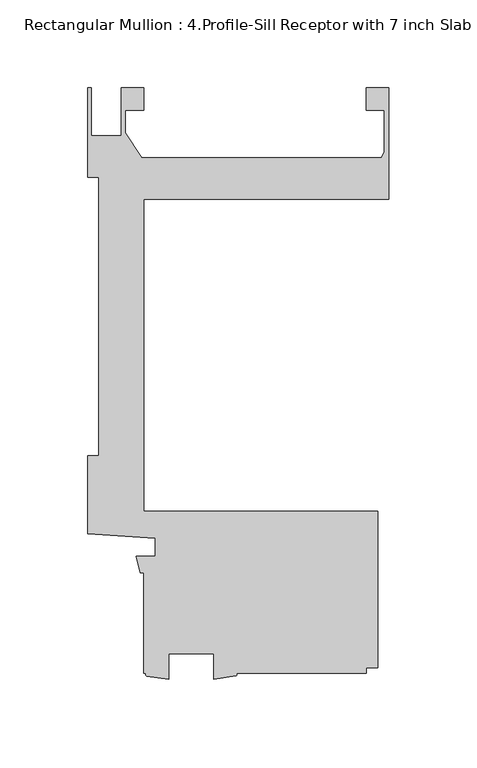
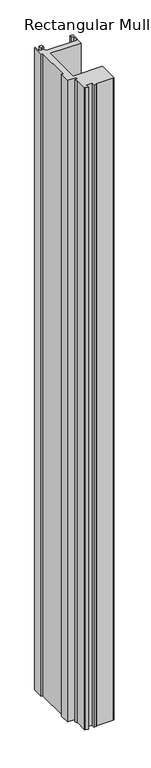
"""IFC4 building model written with IfcOpenShell, lengths in millimetres: member geometry, Rectangular Mullion : 4.Profile-Sill Receptor with 7 inch Slab Cover-Detail-1."""

from ifc_helpers import new_model, si_unit, point, frame, frame_2d, origin, place, context, project, spatial, polyline, circle_curve, trimmed, segment, composite_curve, outline, extrude, source, transform, mapped, element, save


def rectangular_mullion_4_profile_sill_receptor_with_7_inch_slab_58bb91be(model_context):
    return source(origin(), model_context, "Body", "SweptSolid", [
        extrude(outline(composite_curve([segment(polyline([(0.0, 184.15), (-139.7010309, 184.15), (-139.7010309, 6.35), (-6.3510934, 6.35), (-6.3510934, -82.549973), (-12.7010309, -82.549973), (-12.7010309, -85.725127), (-87.0262183, -85.725127)]), True, "CONTINUOUS"), segment(trimmed(circle_curve(frame_2d((-87.4747901, -86.5180751)), 0.9110343), [point((-87.0262183, -85.725127))], [point((-87.0262183, -87.3110233))], False, "CARTESIAN"), True, "CONTINUOUS"), segment(polyline([(-87.0262183, -87.3110233), (-99.7975059, -89.121127), (-99.7975059, -74.612627), (-125.1975059, -74.612627), (-125.1975059, -89.2446487), (-137.9705587, -87.3885314)]), True, "CONTINUOUS"), segment(trimmed(circle_curve(frame_2d((-137.4766216, -86.5568292)), 0.9673171), [point((-137.9705587, -87.3885314))], [point((-137.9705587, -85.725127))], False, "CARTESIAN"), True, "CONTINUOUS"), segment(polyline([(-137.9705587, -85.725127), (-139.7010309, -85.725127), (-139.7010309, -28.575), (-141.4322951, -28.575), (-143.8744778, -19.05), (-133.0838609, -19.05), (-133.0838609, -8.89), (-171.4509973, -6.2322995), (-171.4509973, 38.1), (-165.3364335, 38.1), (-165.3364335, 196.8499996), (-171.4499999, 196.8499996), (-171.4499999, 247.6499996), (-169.4179999, 247.6499996), (-169.4179999, 220.4901991), (-152.5173426, 220.4901991), (-152.5173426, 247.6754), (-139.6770294, 247.6754), (-139.6770294, 234.9754), (-149.9773426, 234.9754), (-149.9773426, 221.9445453), (-140.6789127, 207.9497996), (-4.3676768, 207.9497996)]), True, "CONTINUOUS"), segment(trimmed(circle_curve(frame_2d((-8.89, 212.4075)), 6.35), [point((-4.3676768, 207.9497996))], [point((-2.54, 212.4075))], True, "CARTESIAN"), True, "CONTINUOUS"), segment(polyline([(-2.54, 212.4075), (-2.54, 234.9754), (-12.720056, 234.9754), (-12.720056, 247.6754), (0.0, 247.6754), (0.0, 184.15)]), True, "CONTINUOUS")], self_intersect=False)), frame((0.0, 0.0, -3048.0), z_axis=(0.0, 0.0, 1.0), x_axis=(1.0, 0.0, 0.0)), (0.0, 0.0, 1.0), 3048.0),
    ])


if __name__ == "__main__":
    model = new_model("IFC4")
    model_context = context("Model", 3, world=origin())
    ifc_project = project(units=[si_unit("LENGTHUNIT", "METRE", prefix="MILLI")], contexts=[model_context])
    site = spatial("IfcSite", under=ifc_project)
    building = spatial("IfcBuilding", under=site)
    placement = place(None, origin())
    rectangular_mullion_4_profile_sill_receptor_with_7_inch_slab_shape = rectangular_mullion_4_profile_sill_receptor_with_7_inch_slab_58bb91be(model_context)
    element("IfcMember", 1, ObjectType="Rectangular Mullion : 4.Profile-Sill Receptor with 7 inch Slab Cover-Detail-1", at=placement, inside=building, context=model_context, shape_type="MappedRepresentation", body=[
        mapped(rectangular_mullion_4_profile_sill_receptor_with_7_inch_slab_shape, transform((0.0, 0.0, 0.0), x_axis=(1.0, 0.0, 0.0), y_axis=(0.0, 1.0, 0.0), z_axis=(0.0, 0.0, 1.0))),
    ])
    save(model, "model.ifc")
